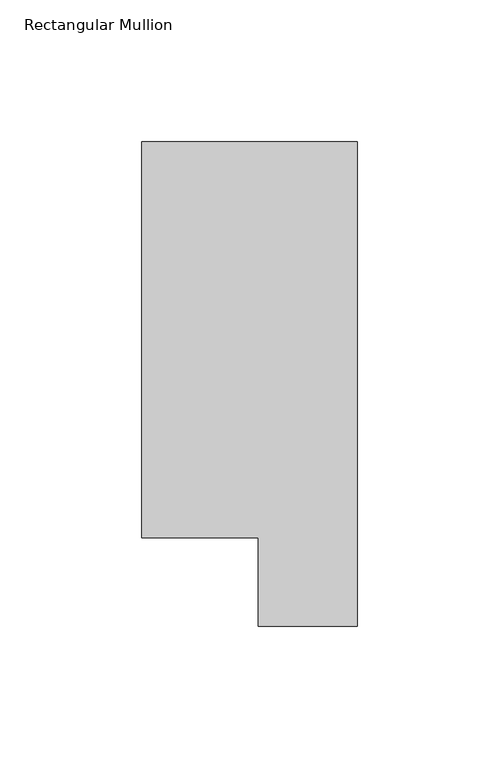
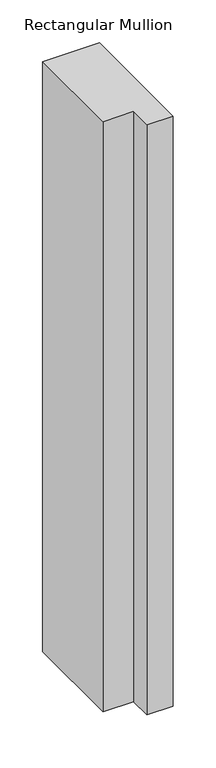
"""IFC4 building model written with IfcOpenShell, lengths in millimetres: member geometry, Rectangular Mullion."""

from ifc_helpers import new_model, si_unit, frame, origin, place, context, project, spatial, polyline, outline, extrude, source, transform, mapped, element, save


def rectangular_mullion_3d04c911(model_context):
    return source(origin(), model_context, "Body", "SweptSolid", [
        extrude(outline(polyline([(0.0, 190.7881313), (0.0, 19.5667313), (-34.9123, 19.5667313), (-34.9123, 50.820278), (-76.2, 50.820278), (-76.2, 190.7881313), (0.0, 190.7881313)])), frame((0.0, 0.0, -838.2), z_axis=(0.0, 0.0, 1.0), x_axis=(1.0, 0.0, 0.0)), (0.0, 0.0, 1.0), 838.2),
    ])


if __name__ == "__main__":
    model = new_model("IFC4")
    model_context = context("Model", 3, world=origin())
    ifc_project = project(units=[si_unit("LENGTHUNIT", "METRE", prefix="MILLI")], contexts=[model_context])
    site = spatial("IfcSite", under=ifc_project)
    building = spatial("IfcBuilding", under=site)
    placement = place(None, origin())
    rectangular_mullion_shape = rectangular_mullion_3d04c911(model_context)
    element("IfcMember", 1, ObjectType="Rectangular Mullion", at=placement, inside=building, context=model_context, shape_type="MappedRepresentation", body=[
        mapped(rectangular_mullion_shape, transform((0.0, 0.0, 0.0), x_axis=(1.0, 0.0, 0.0), y_axis=(0.0, 1.0, 0.0), z_axis=(0.0, 0.0, 1.0))),
    ])
    save(model, "model.ifc")
